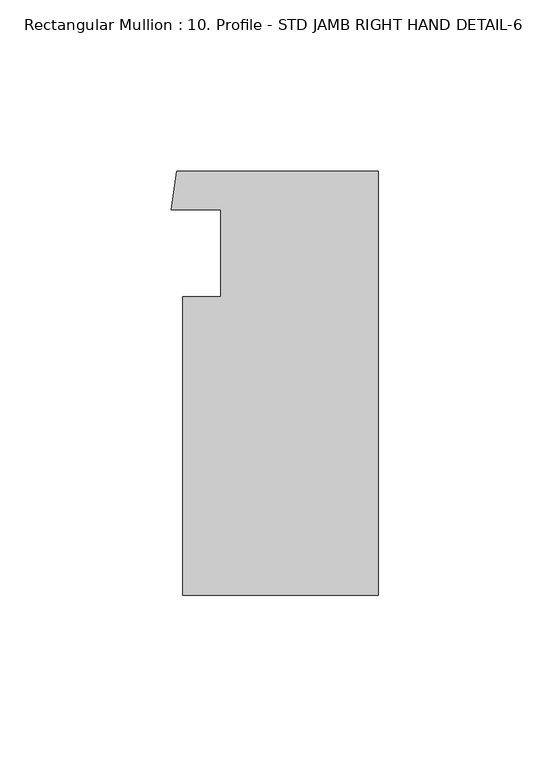
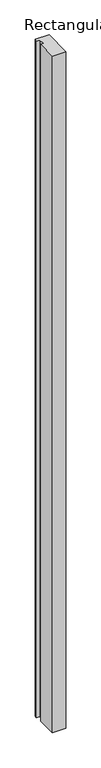
"""IFC4 building model written with IfcOpenShell, lengths in millimetres: member geometry, Rectangular Mullion : 10. Profile - STD JAMB RIGHT HAND DETAIL-6."""

from ifc_helpers import new_model, si_unit, frame, origin, place, context, project, spatial, polyline, outline, extrude, source, transform, mapped, element, save


def rectangular_mullion_10_profile_std_jamb_right_hand_detail_6_968cb6b2(model_context):
    return source(origin(), model_context, "Body", "SweptSolid", [
        extrude(outline(polyline([(0.0, -66.2412316), (-57.15, -66.2412316), (-57.15, 20.8710114), (-46.0375, 20.8710114), (-46.0375, 46.2710114), (-60.5437652, 46.2710114), (-58.9403823, 57.5837684), (0.0, 57.5837684), (0.0, -66.2412316)])), frame((0.0, 0.0, -3048.0), z_axis=(0.0, 0.0, 1.0), x_axis=(1.0, 0.0, 0.0)), (0.0, 0.0, 1.0), 3048.0),
    ])


if __name__ == "__main__":
    model = new_model("IFC4")
    model_context = context("Model", 3, world=origin())
    ifc_project = project(units=[si_unit("LENGTHUNIT", "METRE", prefix="MILLI")], contexts=[model_context])
    site = spatial("IfcSite", under=ifc_project)
    building = spatial("IfcBuilding", under=site)
    placement = place(None, origin())
    rectangular_mullion_10_profile_std_jamb_right_hand_detail_6_shape = rectangular_mullion_10_profile_std_jamb_right_hand_detail_6_968cb6b2(model_context)
    element("IfcMember", 1, ObjectType="Rectangular Mullion : 10. Profile - STD JAMB RIGHT HAND DETAIL-6", at=placement, inside=building, context=model_context, shape_type="MappedRepresentation", body=[
        mapped(rectangular_mullion_10_profile_std_jamb_right_hand_detail_6_shape, transform((0.0, 0.0, 0.0), x_axis=(1.0, 0.0, 0.0), y_axis=(0.0, 1.0, 0.0), z_axis=(0.0, 0.0, 1.0))),
    ])
    save(model, "model.ifc")
